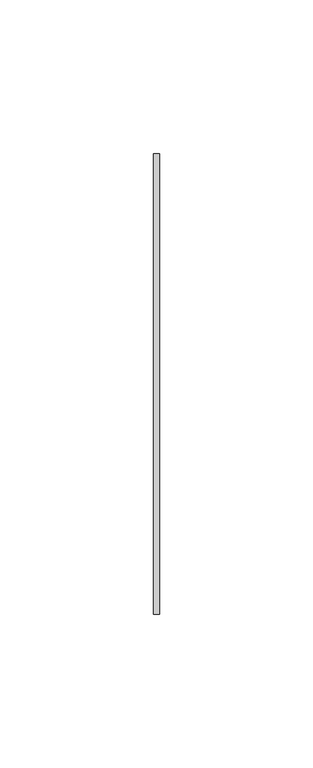
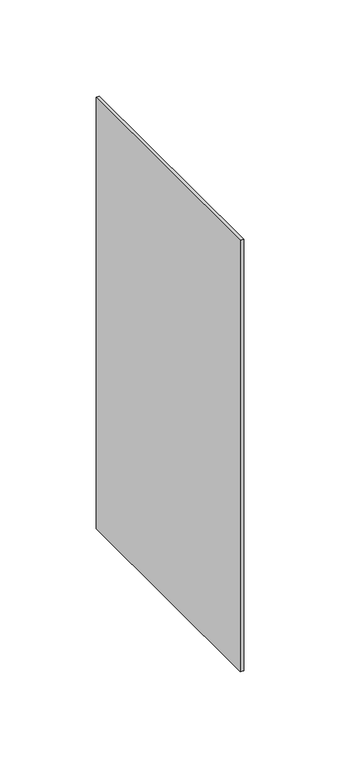
"""IFC4 building model written with IfcOpenShell, lengths in millimetres: proxy geometry."""

from ifc_helpers import new_model, si_unit, frame, origin, place, context, project, spatial, polyline, outline, extrude, source, transform, mapped, element, save


def generic_models_285d0d59(model_context):
    return source(origin(), model_context, "Body", "SweptSolid", [
        extrude(outline(polyline([(2.0, 75.0), (2.0, -75.0), (0.0, -75.0), (0.0, 75.0), (2.0, 75.0)])), frame((0.0, 0.0, -274.0), z_axis=(0.0, 0.0, 1.0), x_axis=(1.0, 0.0, 0.0)), (0.0, 0.0, 1.0), 274.0),
    ])


if __name__ == "__main__":
    model = new_model("IFC4")
    model_context = context("Model", 3, world=origin())
    ifc_project = project(units=[si_unit("LENGTHUNIT", "METRE", prefix="MILLI")], contexts=[model_context])
    site = spatial("IfcSite", under=ifc_project)
    building = spatial("IfcBuilding", under=site)
    placement = place(None, origin())
    generic_models_shape = generic_models_285d0d59(model_context)
    element("IfcBuildingElementProxy", 1, Name="Generic Models", at=placement, inside=building, context=model_context, shape_type="MappedRepresentation", body=[
        mapped(generic_models_shape, transform((0.0, 0.0, 0.0), x_axis=(1.0, 0.0, 0.0), y_axis=(0.0, 1.0, 0.0), z_axis=(0.0, 0.0, 1.0))),
    ])
    save(model, "model.ifc")
